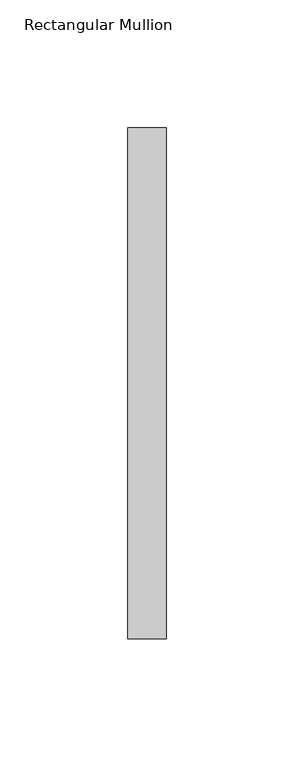
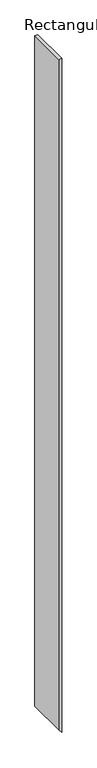
"""IFC4 building model written with IfcOpenShell, lengths in millimetres: member geometry, Rectangular Mullion."""

from ifc_helpers import new_model, si_unit, frame, origin, place, context, project, spatial, polyline, outline, extrude, source, transform, mapped, element, save


def rectangular_mullion_e74690f3(model_context):
    return source(origin(), model_context, "Body", "SweptSolid", [
        extrude(outline(polyline([(0.0, 0.0), (0.0, -15.0), (-3445.9583183, -15.0), (-3462.7920313, 0.0), (0.0, 0.0)])), frame((0.0, -253.0, 0.0), z_axis=(0.0, 1.0, 0.0), x_axis=(0.0, 0.0, 1.0)), (0.0, 0.0, 1.0), 200.0),
    ])


if __name__ == "__main__":
    model = new_model("IFC4")
    model_context = context("Model", 3, world=origin())
    ifc_project = project(units=[si_unit("LENGTHUNIT", "METRE", prefix="MILLI")], contexts=[model_context])
    site = spatial("IfcSite", under=ifc_project)
    building = spatial("IfcBuilding", under=site)
    placement = place(None, origin())
    rectangular_mullion_shape = rectangular_mullion_e74690f3(model_context)
    element("IfcMember", 1, ObjectType="Rectangular Mullion", at=placement, inside=building, context=model_context, shape_type="MappedRepresentation", body=[
        mapped(rectangular_mullion_shape, transform((0.0, 0.0, 0.0), x_axis=(1.0, 0.0, 0.0), y_axis=(0.0, 1.0, 0.0), z_axis=(0.0, 0.0, 1.0))),
    ])
    save(model, "model.ifc")
